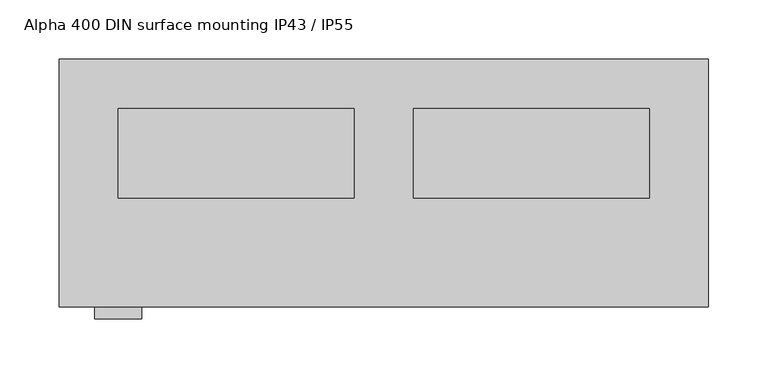
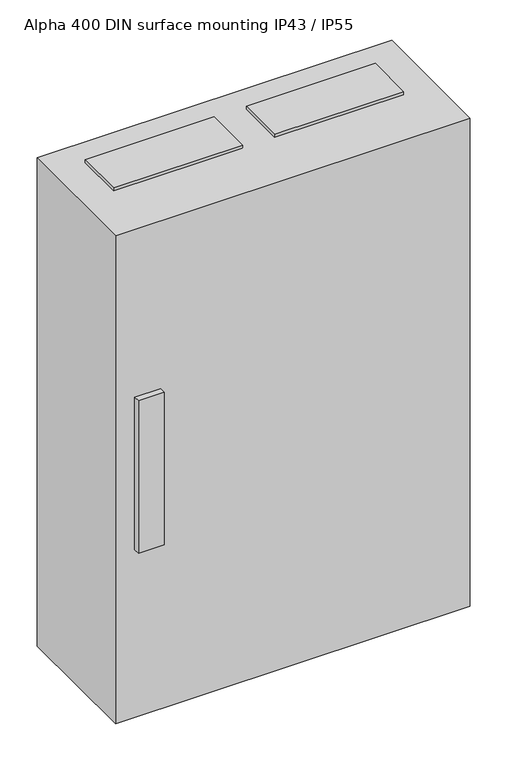
"""IFC4 building model written with IfcOpenShell, lengths in millimetres: proxy geometry, Alpha 400 DIN surface mounting IP43 / IP55."""

from ifc_helpers import new_model, si_unit, frame, origin, origin_with_axes, place, context, project, spatial, polyline, outline, extrude, source, transform, mapped, element, save


def alpha_400_din_surface_mounting_ip43_ip55_46c72268(model_context):
    return source(origin(), model_context, "Body", "SweptSolid", [
        extrude(outline(polyline([(500.0, -42.0), (500.0, -118.0), (300.0, -118.0), (300.0, -42.0), (500.0, -42.0)])), frame((0.0, 0.0, 800.0), z_axis=(0.0, 0.0, 1.0), x_axis=(1.0, 0.0, 0.0)), (0.0, 0.0, 1.0), 5.0),
        extrude(outline(polyline([(500.0, -42.0), (500.0, -118.0), (300.0, -118.0), (300.0, -42.0), (500.0, -42.0)])), frame((0.0, 0.0, -5.0), z_axis=(0.0, 0.0, 1.0), x_axis=(1.0, 0.0, 0.0)), (0.0, 0.0, 1.0), 5.0),
        extrude(outline(polyline([(250.0, -42.0), (250.0, -118.0), (50.0, -118.0), (50.0, -42.0), (250.0, -42.0)])), frame((0.0, 0.0, 800.0), z_axis=(0.0, 0.0, 1.0), x_axis=(1.0, 0.0, 0.0)), (0.0, 0.0, 1.0), 5.0),
        extrude(outline(polyline([(250.0, -42.0), (250.0, -118.0), (50.0, -118.0), (50.0, -42.0), (250.0, -42.0)])), frame((0.0, 0.0, -5.0), z_axis=(0.0, 0.0, 1.0), x_axis=(1.0, 0.0, 0.0)), (0.0, 0.0, 1.0), 5.0),
        extrude(outline(polyline([(70.0, -210.0), (70.0, -220.0), (30.0, -220.0), (30.0, -210.0), (70.0, -210.0)])), frame((0.0, 0.0, 275.0), z_axis=(0.0, 0.0, 1.0), x_axis=(1.0, 0.0, 0.0)), (0.0, 0.0, 1.0), 250.0),
        extrude(outline(polyline([(550.0, 0.0), (550.0, -210.0), (0.0, -210.0), (0.0, 0.0), (550.0, 0.0)])), origin_with_axes(), (0.0, 0.0, 1.0), 800.0),
    ])


if __name__ == "__main__":
    model = new_model("IFC4")
    model_context = context("Model", 3, world=origin())
    ifc_project = project(units=[si_unit("LENGTHUNIT", "METRE", prefix="MILLI")], contexts=[model_context])
    site = spatial("IfcSite", under=ifc_project)
    building = spatial("IfcBuilding", under=site)
    placement = place(None, origin())
    alpha_400_din_surface_mounting_ip43_ip55_shape = alpha_400_din_surface_mounting_ip43_ip55_46c72268(model_context)
    element("IfcBuildingElementProxy", 1, Name="Alpha 400 DIN surface mounting IP43 / IP55", ObjectType="Alpha 400 DIN surface mounting IP43 / IP55", at=placement, inside=building, context=model_context, shape_type="MappedRepresentation", body=[
        mapped(alpha_400_din_surface_mounting_ip43_ip55_shape, transform((0.0, 0.0, 0.0), x_axis=(1.0, 0.0, 0.0), y_axis=(0.0, 1.0, 0.0), z_axis=(0.0, 0.0, 1.0))),
    ])
    save(model, "model.ifc")
